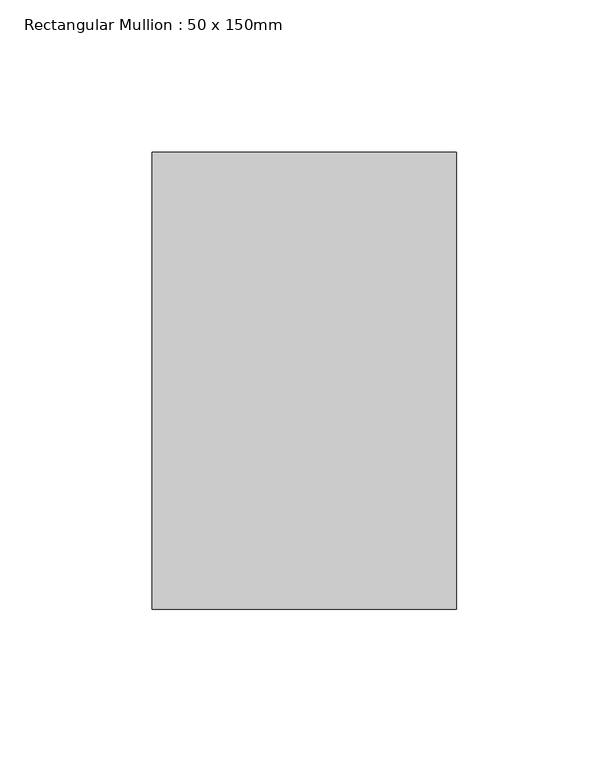
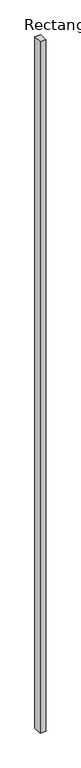
"""IFC4 building model written with IfcOpenShell, lengths in millimetres: member geometry, Rectangular Mullion : 50 x 150mm."""

from ifc_helpers import new_model, si_unit, frame, origin, place, context, project, spatial, polyline, outline, extrude, source, transform, mapped, element, save


def rectangular_mullion_50_x_150mm_cd9174b4(model_context):
    return source(origin(), model_context, "Body", "SweptSolid", [
        extrude(outline(polyline([(50.0, 75.0), (50.0, -75.0), (-50.0, -75.0), (-50.0, 75.0), (50.0, 75.0)])), frame((0.0, 0.0, -12355.6429454), z_axis=(0.0, 0.0, 1.0), x_axis=(1.0, 0.0, 0.0)), (0.0, 0.0, 1.0), 12355.6429454),
    ])


if __name__ == "__main__":
    model = new_model("IFC4")
    model_context = context("Model", 3, world=origin())
    ifc_project = project(units=[si_unit("LENGTHUNIT", "METRE", prefix="MILLI")], contexts=[model_context])
    site = spatial("IfcSite", under=ifc_project)
    building = spatial("IfcBuilding", under=site)
    placement = place(None, origin())
    rectangular_mullion_50_x_150mm_shape = rectangular_mullion_50_x_150mm_cd9174b4(model_context)
    element("IfcMember", 1, ObjectType="Rectangular Mullion : 50 x 150mm", at=placement, inside=building, context=model_context, shape_type="MappedRepresentation", body=[
        mapped(rectangular_mullion_50_x_150mm_shape, transform((0.0, 0.0, 0.0), x_axis=(1.0, 0.0, 0.0), y_axis=(0.0, 1.0, 0.0), z_axis=(0.0, 0.0, 1.0))),
    ])
    save(model, "model.ifc")
